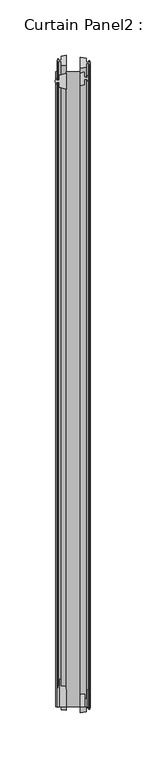
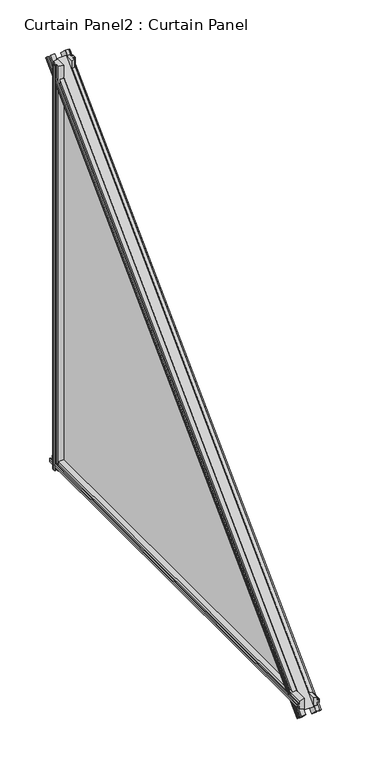
"""IFC4 building model written with IfcOpenShell, lengths in millimetres: plate geometry, Curtain Panel2 : Curtain Panel."""

from ifc_helpers import new_model, si_unit, frame, origin, place, context, project, spatial, polyline, outline, extrude, source, transform, mapped, element, save


def curtain_panel2_curtain_panel_1ca2ef85(model_context):
    return source(origin(), model_context, "Body", "SweptSolid", [
        extrude(outline(polyline([(-5123.4738333, 1320.7716729), (-5123.4738333, 1325.0642729), (-5126.1916333, 1325.5468729), (-5125.9376333, 1323.9974729), (-5126.7504333, 1323.9974729), (-5127.1568333, 1326.3342729), (-5126.7504333, 1328.6710729), (-5125.9376333, 1328.6710729), (-5126.1910629, 1327.125152), (-5123.4738333, 1327.6042729), (-5123.4738333, 1331.8968729), (-5117.3782493, 1333.4465976), (-5117.3782493, 1319.2219481), (-5123.4738333, 1320.7716729)])), frame((0.0, 0.0, 1727.321074), z_axis=(0.0, 0.0, 1.0), x_axis=(1.0, 0.0, 0.0)), (0.0, 0.0, 1.0), 573.1537658),
        extrude(outline(polyline([(-5097.3118333, 1328.9758729), (-5097.7182333, 1326.6390729), (-5098.5310333, 1326.6390729), (-5098.2770333, 1328.1884729), (-5100.9948333, 1327.7058729), (-5100.9948333, 1323.4132729), (-5104.5258493, 1322.515557), (-5104.5258493, 1335.4361888), (-5100.9948333, 1334.5384729), (-5100.9948333, 1330.2458729), (-5098.2770333, 1329.7632729), (-5098.5310333, 1331.3126729), (-5097.7182333, 1331.3126729), (-5097.3118333, 1328.9758729)])), frame((0.0, 0.0, 1727.321074), z_axis=(0.0, 0.0, 1.0), x_axis=(1.0, 0.0, 0.0)), (0.0, 0.0, 1.0), 573.1537658),
        extrude(outline(polyline([(1739.946522, -5104.5258493), (1726.9567314, -5104.5258493), (1727.8890267, -5100.8588211), (1732.1816267, -5100.8588211), (1732.6642267, -5098.1410211), (1731.1148267, -5098.3950211), (1731.1148267, -5097.5822211), (1733.4516267, -5097.1758211), (1735.7884267, -5097.5822211), (1735.7884267, -5098.3950211), (1734.2390267, -5098.1410211), (1734.7216267, -5100.8588211), (1739.0142267, -5100.8588211), (1739.946522, -5104.5258493)])), frame((0.0, 761.7218166, 0.0), z_axis=(0.0, 1.0, 0.0), x_axis=(0.0, 0.0, 1.0)), (0.0, 0.0, 1.0), 573.1537658),
        extrude(outline(polyline([(1743.1709721, -5117.3782493), (1741.6558267, -5123.3378211), (1737.3632267, -5123.3378211), (1736.8806267, -5126.0556211), (1738.4300267, -5125.8016211), (1738.4300267, -5126.6144211), (1736.0932267, -5127.0208211), (1733.7564267, -5126.6144211), (1733.7564267, -5125.8016211), (1735.3058267, -5126.0556211), (1734.8232267, -5123.3378211), (1730.5306267, -5123.3378211), (1729.0154813, -5117.3782493), (1743.1709721, -5117.3782493)])), frame((0.0, 761.7218166, 0.0), z_axis=(0.0, 1.0, 0.0), x_axis=(0.0, 0.0, 1.0)), (0.0, 0.0, 1.0), 573.1537658),
        extrude(outline(polyline([(-17.943747, -6.1086344), (-12.8524, -4.8142242), (-12.8524, -18.5282447), (-17.943747, -17.2338344), (-17.943747, -12.9412344), (-20.661547, -12.4586344), (-20.407547, -14.0080344), (-21.220347, -14.0080344), (-21.626747, -11.6712344), (-21.220347, -9.3344345), (-20.407547, -9.3344345), (-20.661547, -10.8838344), (-17.943747, -10.4012344), (-17.943747, -6.1086344)])), frame((-5117.3782493, 753.1890041, 1727.321074), z_axis=(0.0, 0.707106781186547, 0.707106781186548), x_axis=(-1.0, 0.0, 0.0)), (0.0, 0.0, 1.0), 822.6290481),
        extrude(outline(polyline([(6.9881311, -11.9506344), (7.8242491, -11.9506344), (8.2073311, -14.2874345), (7.8009311, -16.6242344), (6.9881311, -16.6242344), (7.2421311, -15.0748345), (4.5243311, -15.5574345), (4.5243311, -19.8500345), (0.0, -21.0002881), (0.0, -7.5745807), (4.5243311, -8.7248344), (4.5243311, -13.0174345), (7.2421311, -13.5000344), (6.9881311, -11.9506344)])), frame((-5117.3782493, 753.1890041, 1727.321074), z_axis=(0.0, 0.707106781186547, 0.707106781186548), x_axis=(-1.0, 0.0, 0.0)), (0.0, 0.0, 1.0), 822.6290481),
        extrude(outline(polyline([(1334.8755824, 1727.321074), (761.7218166, 1727.321074), (1334.8755824, 2300.4748398), (1334.8755824, 1727.321074)])), frame((-5117.3782493, 0.0, 0.0), z_axis=(1.0, 0.0, 0.0), x_axis=(0.0, 1.0, 0.0)), (0.0, 0.0, 1.0), 12.8210153),
    ])


if __name__ == "__main__":
    model = new_model("IFC4")
    model_context = context("Model", 3, world=origin())
    ifc_project = project(units=[si_unit("LENGTHUNIT", "METRE", prefix="MILLI")], contexts=[model_context])
    site = spatial("IfcSite", under=ifc_project)
    building = spatial("IfcBuilding", under=site)
    placement = place(None, origin())
    curtain_panel2_curtain_panel_shape = curtain_panel2_curtain_panel_1ca2ef85(model_context)
    element("IfcPlate", 1, ObjectType="Curtain Panel2 : Curtain Panel", at=placement, inside=building, context=model_context, shape_type="MappedRepresentation", body=[
        mapped(curtain_panel2_curtain_panel_shape, transform((0.0, 0.0, 0.0), x_axis=(1.0, 0.0, 0.0), y_axis=(0.0, 1.0, 0.0), z_axis=(0.0, 0.0, 1.0))),
    ])
    save(model, "model.ifc")
